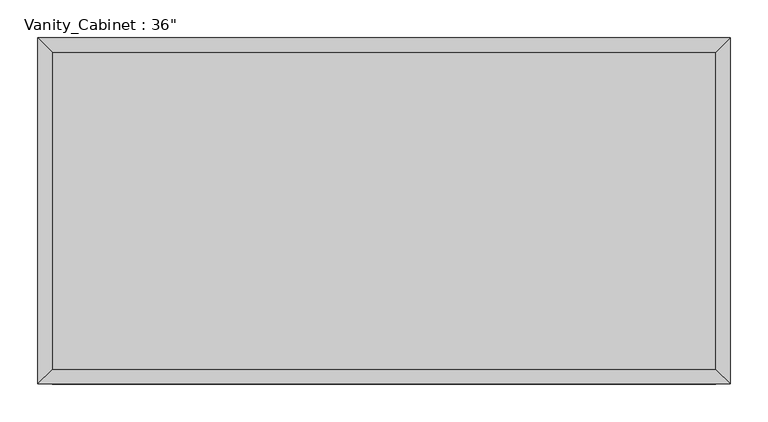
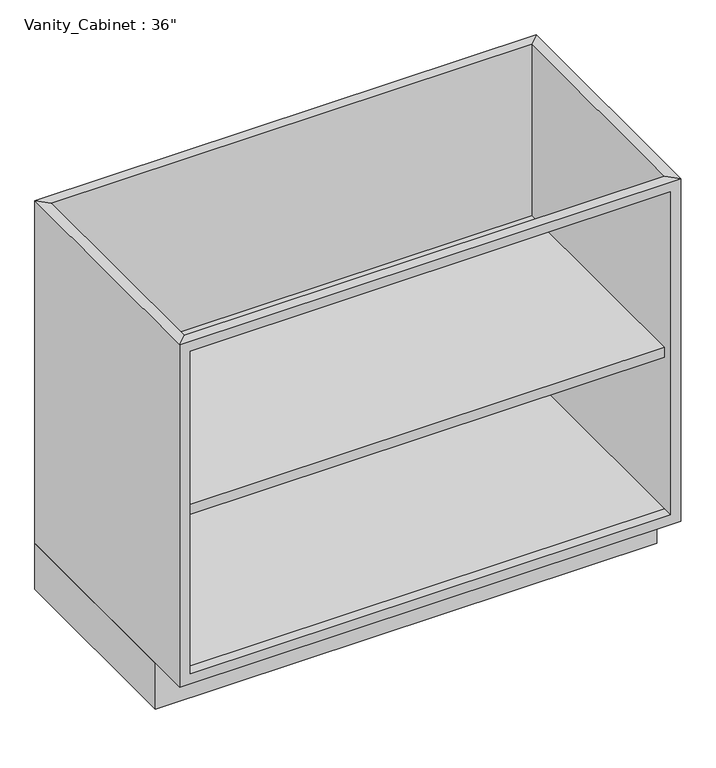
"""IFC4 building model written with IfcOpenShell, lengths in millimetres: furniture geometry."""

from ifc_helpers import new_model, si_unit, frame, origin, origin_with_axes, place, context, project, spatial, polyline, outline, extrude, faceted_brep, source, transform, mapped, element, save


def furniture_1efba110(model_context):
    return source(origin(), model_context, "Body", "SolidModel", [
        extrude(outline(polyline([(456.8877049, -19.05), (456.8877049, -438.15), (-419.4122951, -438.15), (-419.4122951, -19.05), (456.8877049, -19.05)])), frame((0.0, 0.0, 400.05), z_axis=(0.0, 0.0, 1.0), x_axis=(1.0, 0.0, 0.0)), (0.0, 0.0, 1.0), 19.05),
        extrude(outline(polyline([(456.8877049, -19.05), (456.8877049, -438.15), (-419.4122951, -438.15), (-419.4122951, -19.05), (456.8877049, -19.05)])), frame((0.0, 0.0, 88.9), z_axis=(0.0, 0.0, 1.0), x_axis=(1.0, 0.0, 0.0)), (0.0, 0.0, 1.0), 19.05),
        faceted_brep([(456.8877049, -438.15, 88.9), (-419.4122951, -438.15, 88.9), (-419.4122951, -438.15, 107.95), (456.8877049, -438.15, 107.95), (-419.4122951, -438.15, 749.3), (456.8877049, -438.15, 749.3), (456.8877049, -438.15, 730.25), (-419.4122951, -438.15, 730.25), (-438.4622951, -457.2, 749.3), (475.9377049, -457.2, 749.3), (-438.4622951, -457.2, 88.9), (475.9377049, -457.2, 88.9), (456.8877049, -457.2, 107.95), (-419.4122951, -457.2, 107.95), (-419.4122951, -457.2, 730.25), (456.8877049, -457.2, 730.25), (-419.4122951, -19.05, 88.9), (-419.4122951, -19.05, 749.3), (-438.4622951, 0.0, 749.3), (-438.4622951, 0.0, 88.9), (456.8877049, -19.05, 88.9), (456.8877049, -19.05, 749.3), (475.9377049, 0.0, 749.3), (475.9377049, 0.0, 88.9)], [[[0, 1, 2, 3]], [[4, 5, 6, 7]], [[5, 4, 8, 9]], [[9, 8, 10, 11], [12, 13, 14, 15]], [[1, 0, 11, 10]], [[1, 16, 17, 4, 7, 14, 13, 2]], [[8, 4, 17, 18]], [[10, 8, 18, 19]], [[1, 10, 19, 16]], [[17, 16, 20, 21]], [[18, 17, 21, 22]], [[19, 18, 22, 23]], [[16, 19, 23, 20]], [[21, 20, 0, 3, 12, 15, 6, 5]], [[5, 9, 22, 21]], [[9, 11, 23, 22]], [[11, 0, 20, 23]], [[2, 13, 12, 3]], [[14, 7, 6, 15]]]),
        extrude(outline(polyline([(475.9377049, 0.0), (475.9377049, -381.0), (-438.4622951, -381.0), (-438.4622951, 0.0), (475.9377049, 0.0)])), origin_with_axes(), (0.0, 0.0, 1.0), 88.9),
    ])


if __name__ == "__main__":
    model = new_model("IFC4")
    model_context = context("Model", 3, world=origin())
    ifc_project = project(units=[si_unit("LENGTHUNIT", "METRE", prefix="MILLI")], contexts=[model_context])
    site = spatial("IfcSite", under=ifc_project)
    building = spatial("IfcBuilding", under=site)
    placement = place(None, origin())
    furniture_shape = furniture_1efba110(model_context)
    element("IfcFurniture", 1, ObjectType="Vanity_Cabinet : 36\"", at=placement, inside=building, context=model_context, shape_type="MappedRepresentation", body=[
        mapped(furniture_shape, transform((0.0, 0.0, 0.0), x_axis=(1.0, 0.0, 0.0), y_axis=(0.0, 1.0, 0.0), z_axis=(0.0, 0.0, 1.0))),
    ])
    save(model, "model.ifc")
